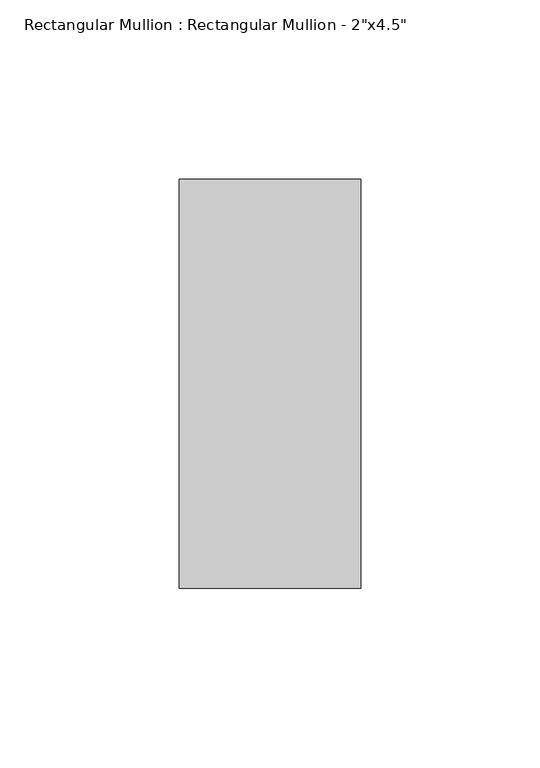
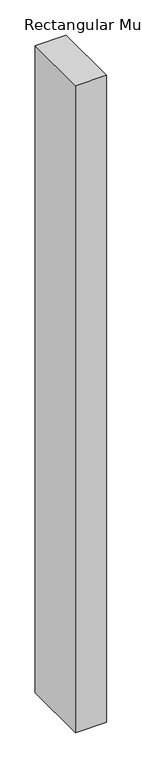
"""IFC4 building model written with IfcOpenShell, lengths in millimetres: member geometry."""

from ifc_helpers import new_model, si_unit, frame, origin, place, context, project, spatial, polyline, outline, extrude, source, transform, mapped, element, save


def member_9631286c(model_context):
    return source(origin(), model_context, "Body", "SweptSolid", [
        extrude(outline(polyline([(0.0, 57.15), (0.0, -57.15), (-50.8, -57.15), (-50.8, 57.15), (0.0, 57.15)])), frame((0.0, 0.0, -1117.6), z_axis=(0.0, 0.0, 1.0), x_axis=(1.0, 0.0, 0.0)), (0.0, 0.0, 1.0), 1117.6),
    ])


if __name__ == "__main__":
    model = new_model("IFC4")
    model_context = context("Model", 3, world=origin())
    ifc_project = project(units=[si_unit("LENGTHUNIT", "METRE", prefix="MILLI")], contexts=[model_context])
    site = spatial("IfcSite", under=ifc_project)
    building = spatial("IfcBuilding", under=site)
    placement = place(None, origin())
    member_shape = member_9631286c(model_context)
    element("IfcMember", 1, ObjectType="Rectangular Mullion : Rectangular Mullion - 2\"x4.5\"", at=placement, inside=building, context=model_context, shape_type="MappedRepresentation", body=[
        mapped(member_shape, transform((0.0, 0.0, 0.0), x_axis=(1.0, 0.0, 0.0), y_axis=(0.0, 1.0, 0.0), z_axis=(0.0, 0.0, 1.0))),
    ])
    save(model, "model.ifc")
